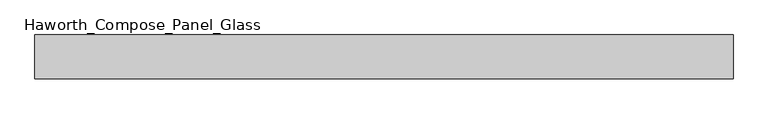
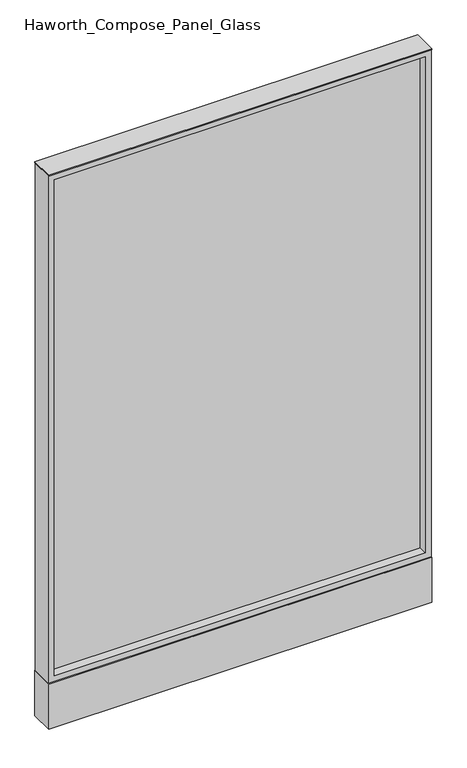
"""IFC4 building model written with IfcOpenShell, lengths in millimetres: furniture geometry, Haworth_Compose_Panel_Glass."""

from ifc_helpers import new_model, si_unit, point, frame, frame_2d, origin, origin_with_axes, place, context, project, spatial, polyline, circle_curve, trimmed, segment, composite_curve, outline, extrude, source, transform, mapped, element, save


def haworth_compose_panel_glass_8d37c1c2(model_context):
    return source(origin(), model_context, "Body", "SweptSolid", [
        extrude(outline(composite_curve([segment(trimmed(circle_curve(frame_2d((535.8402902, 0.0)), 12.7), [point((523.1402902, 0.0))], [point((548.5402902, 0.0))], False, "CARTESIAN"), True, "CONTINUOUS"), segment(trimmed(circle_curve(frame_2d((535.8402902, 0.0)), 12.7), [point((548.5402902, 0.0))], [point((523.1402902, 0.0))], False, "CARTESIAN"), True, "CONTINUOUS")], self_intersect=False)), origin_with_axes(), (0.0, 0.0, 1.0), 12.7),
        extrude(outline(composite_curve([segment(trimmed(circle_curve(frame_2d((-530.9597098, 0.0)), 12.7), [point((-543.6597098, 0.0))], [point((-518.2597098, 0.0))], False, "CARTESIAN"), True, "CONTINUOUS"), segment(trimmed(circle_curve(frame_2d((-530.9597098, 0.0)), 12.7), [point((-518.2597098, 0.0))], [point((-543.6597098, 0.0))], False, "CARTESIAN"), True, "CONTINUOUS")], self_intersect=False)), origin_with_axes(), (0.0, 0.0, 1.0), 12.7),
        extrude(outline(polyline([(592.9902902, -6.35), (-588.1097098, -6.35), (-588.1097098, 6.35), (592.9902902, 6.35), (592.9902902, -6.35)])), frame((0.0, 0.0, 184.15), z_axis=(0.0, 0.0, 1.0), x_axis=(1.0, 0.0, 0.0)), (0.0, 0.0, 1.0), 1670.05),
        extrude(outline(polyline([(1873.25, -607.1597098), (165.1, -607.1597098), (165.1, 612.0402902), (1873.25, 612.0402902), (1873.25, -607.1597098)]), holes=[polyline([(1854.2, 592.9902902), (184.15, 592.9902902), (184.15, -588.1097098), (1854.2, -588.1097098), (1854.2, 592.9902902)])]), frame((0.0, -34.925, 0.0), z_axis=(0.0, 1.0, 0.0), x_axis=(0.0, 0.0, 1.0)), (0.0, 0.0, 1.0), 69.85),
        extrude(outline(polyline([(-607.1597098, 38.1), (612.0402902, 38.1), (612.0402902, -38.1), (-607.1597098, -38.1), (-607.1597098, 38.1)])), frame((0.0, 0.0, 12.7), z_axis=(0.0, 0.0, 1.0), x_axis=(1.0, 0.0, 0.0)), (0.0, 0.0, 1.0), 152.4),
        extrude(outline(polyline([(-607.1597098, -38.1), (-607.1597098, 38.1), (612.0402902, 38.1), (612.0402902, -38.1), (-607.1597098, -38.1)])), frame((0.0, 0.0, 1873.25), z_axis=(0.0, 0.0, 1.0), x_axis=(1.0, 0.0, 0.0)), (0.0, 0.0, 1.0), 3.175),
    ])


if __name__ == "__main__":
    model = new_model("IFC4")
    model_context = context("Model", 3, world=origin())
    ifc_project = project(units=[si_unit("LENGTHUNIT", "METRE", prefix="MILLI")], contexts=[model_context])
    site = spatial("IfcSite", under=ifc_project)
    building = spatial("IfcBuilding", under=site)
    placement = place(None, origin())
    haworth_compose_panel_glass_shape = haworth_compose_panel_glass_8d37c1c2(model_context)
    element("IfcFurniture", 1, ObjectType="Haworth_Compose_Panel_Glass", at=placement, inside=building, context=model_context, shape_type="MappedRepresentation", body=[
        mapped(haworth_compose_panel_glass_shape, transform((0.0, 0.0, 0.0), x_axis=(1.0, 0.0, 0.0), y_axis=(0.0, 1.0, 0.0), z_axis=(0.0, 0.0, 1.0))),
    ])
    save(model, "model.ifc")
